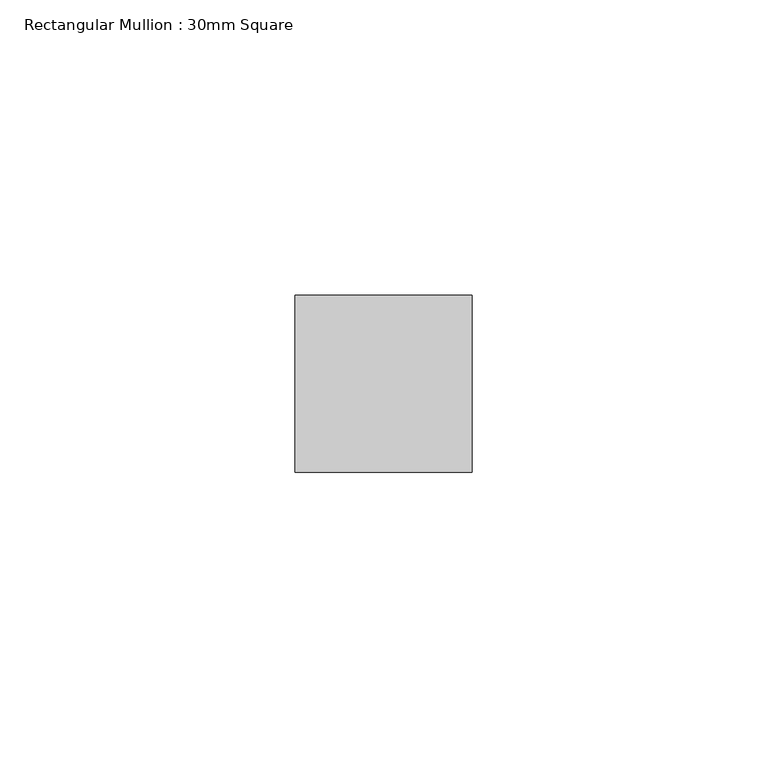
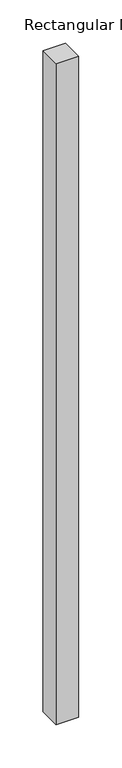
"""IFC4 building model written with IfcOpenShell, lengths in millimetres: member geometry, Rectangular Mullion : 30mm Square."""

import ifcopenshell
import ifcopenshell.guid

model = None  # the IFC model being written
_history = None  # IfcOwnerHistory: only IFC2X3 demands one
_inside = {}  # id of a spatial element -> (the spatial element, [elements in it])
_under = {}  # id of a project, library or spatial element -> (it, [spatial elements below it])
_declared = {}  # id of a project -> (the project, [libraries it declares])
_typed = {}  # id of a type object -> (the type object, [elements of that type])
_made_of = {}  # id of a material, layer set ... -> (it, [elements and type objects made of it])


def new_model(schema):
    """Start an empty IFC model of exactly this schema.

    Asked for "IFC4X3", IfcOpenShell would pick the latest addendum, in which some entities
    have other attributes; the version numbers below select the first issue.
    IFC2X3 requires an IfcOwnerHistory on every rooted entity: one is made here for all.
    """
    global model, _history
    if schema == "IFC4X3":
        model = ifcopenshell.file(schema_version=(4, 3, 0, 0))
    else:
        model = ifcopenshell.file(schema=schema)
    _inside.clear()
    _under.clear()
    _declared.clear()
    _typed.clear()
    _made_of.clear()
    _history = None
    if model.schema == "IFC2X3":
        org = make("IfcOrganization", Name="unknown")
        user = make(
            "IfcPersonAndOrganization",
            ThePerson=make("IfcPerson", FamilyName="unknown"),
            TheOrganization=org,
        )
        app = make(
            "IfcApplication",
            ApplicationDeveloper=org,
            Version="unknown",
            ApplicationFullName="unknown",
            ApplicationIdentifier="unknown",
        )
        _history = make(
            "IfcOwnerHistory",
            OwningUser=user,
            OwningApplication=app,
            ChangeAction="ADDED",
            CreationDate=0,
        )
    return model


def make(cls, **values):
    """One entity of the class cls with the attributes given. An attribute that is None is left unset."""
    return model.create_entity(
        cls, **{name: value for name, value in values.items() if value is not None}
    )


def rooted(cls, **values):
    """An entity with a GlobalId (a new one), such as an element, a storey or a relation."""
    return make(cls, GlobalId=ifcopenshell.guid.new(), OwnerHistory=_history, **values)


def si_unit(unit_type, name, prefix=None):
    """IfcSIUnit, for example si_unit("LENGTHUNIT", "METRE", prefix="MILLI")."""
    return make("IfcSIUnit", UnitType=unit_type, Prefix=prefix, Name=name)


def assignment(units):
    """IfcUnitAssignment: the units of a project."""
    return None if units is None else make("IfcUnitAssignment", Units=units)


def point(xyz):
    """IfcCartesianPoint."""
    return None if xyz is None else make("IfcCartesianPoint", Coordinates=xyz)


def direction(xyz):
    """IfcDirection."""
    return None if xyz is None else make("IfcDirection", DirectionRatios=xyz)


def frame(location, z_axis=None, x_axis=None):
    """IfcAxis2Placement3D, a coordinate frame: its origin and axes. An axis left out is left unset."""
    return make(
        "IfcAxis2Placement3D",
        Location=point(location),
        Axis=direction(z_axis),
        RefDirection=direction(x_axis),
    )


def origin():
    """The frame at (0, 0, 0) with its axes left unset."""
    return frame((0.0, 0.0, 0.0))


def place(relative_to, where):
    """IfcLocalPlacement: puts the frame where relative to a parent placement (None: the world)."""
    return make(
        "IfcLocalPlacement", PlacementRelTo=relative_to, RelativePlacement=where
    )


def context(
    kind, dimensions, precision=None, world=None, true_north=None, identifier=None
):
    """IfcGeometricRepresentationContext, for example the 3D "Model" context."""
    return make(
        "IfcGeometricRepresentationContext",
        ContextIdentifier=identifier,
        ContextType=kind,
        CoordinateSpaceDimension=dimensions,
        Precision=precision,
        WorldCoordinateSystem=world,
        TrueNorth=true_north,
    )


def project(units=None, contexts=None):
    """IfcProject with its units and contexts."""
    return rooted(
        "IfcProject",
        Name="project",
        RepresentationContexts=contexts,
        UnitsInContext=assignment(units),
    )


def spatial(cls, under=None, at=None, **own):
    """A site, building, storey or space (cls), placed at a placement, below another one or the project."""
    s = rooted(cls, ObjectPlacement=at, **own)
    if under is not None:
        _under.setdefault(under.id(), (under, []))[1].append(s)
    return s


def polyline(points):
    """IfcPolyline through the points."""
    return make("IfcPolyline", Points=[point(p) for p in points])


def outline(outer, holes=None, kind="AREA"):
    """IfcArbitraryClosedProfileDef: a profile drawn as a closed curve; with holes, ...WithVoids."""
    if holes is None:
        return make("IfcArbitraryClosedProfileDef", ProfileType=kind, OuterCurve=outer)
    return make(
        "IfcArbitraryProfileDefWithVoids",
        ProfileType=kind,
        OuterCurve=outer,
        InnerCurves=holes,
    )


def extrude(swept, where, along, depth):
    """IfcExtrudedAreaSolid: the profile swept, set in the frame where, extruded along a direction by depth."""
    return make(
        "IfcExtrudedAreaSolid",
        SweptArea=swept,
        Position=where,
        ExtrudedDirection=direction(along),
        Depth=depth,
    )


def shape(context_of_items, identifier, shape_type, items):
    """IfcShapeRepresentation: the items that make up one representation, for example the "Body"."""
    return make(
        "IfcShapeRepresentation",
        ContextOfItems=context_of_items,
        RepresentationIdentifier=identifier,
        RepresentationType=shape_type,
        Items=items,
    )


def source(mapping_origin, context_of_items, identifier, shape_type, items):
    """IfcRepresentationMap: a shape defined once, which mapped items show again and again."""
    return make(
        "IfcRepresentationMap",
        MappingOrigin=mapping_origin,
        MappedRepresentation=shape(context_of_items, identifier, shape_type, items),
    )


def transform(
    local_origin,
    x_axis=None,
    y_axis=None,
    z_axis=None,
    scale=None,
    scale2=None,
    scale3=None,
    uniform=True,
):
    """IfcCartesianTransformationOperator3D, or its non-uniform kind. x_axis, y_axis, z_axis: its Axis1, 2, 3."""
    if uniform:
        return make(
            "IfcCartesianTransformationOperator3D",
            Axis1=direction(x_axis),
            Axis2=direction(y_axis),
            LocalOrigin=point(local_origin),
            Scale=scale,
            Axis3=direction(z_axis),
        )
    return make(
        "IfcCartesianTransformationOperator3DnonUniform",
        Axis1=direction(x_axis),
        Axis2=direction(y_axis),
        LocalOrigin=point(local_origin),
        Scale=scale,
        Axis3=direction(z_axis),
        Scale2=scale2,
        Scale3=scale3,
    )


def mapped(mapping_source, mapping_target):
    """IfcMappedItem: shows the shape of a source again, moved by a transform."""
    return make(
        "IfcMappedItem", MappingSource=mapping_source, MappingTarget=mapping_target
    )


def made_of(thing, what):
    """Note that an element or type object is made of a material, layer set ...; save() writes the relation."""
    if what is not None:
        _made_of.setdefault(what.id(), (what, []))[1].append(thing)
    return thing


def element(
    cls,
    number,
    at=None,
    inside=None,
    cuts=None,
    type_object=None,
    material=None,
    context=None,
    identifier="Body",
    shape_type=None,
    held_by="IfcProductDefinitionShape",
    body=None,
    shapes=None,
    **own,
):
    """One element of the class cls, such as IfcWall. Its Tag is "e" and its number.

    at: its placement. inside: the storey or other place that contains it. cuts: it is an
    opening in that element (IfcRelVoidsElement). A single representation is given by context,
    identifier, shape_type and body (its items); several are given by shapes. held_by: the class
    of the entity that holds the representations. save() writes the other relations.
    """
    e = rooted(cls, Tag="e%d" % number, ObjectPlacement=at, **own)
    if body is not None:
        shapes = [shape(context, identifier, shape_type, body)]
    if shapes is not None:
        e.Representation = make(held_by, Representations=shapes)
    if inside is not None:
        _inside.setdefault(inside.id(), (inside, []))[1].append(e)
    if cuts is not None:
        rooted(
            "IfcRelVoidsElement", RelatingBuildingElement=cuts, RelatedOpeningElement=e
        )
    if type_object is not None:
        _typed.setdefault(type_object.id(), (type_object, []))[1].append(e)
    return made_of(e, material)


def aggregate(whole, parts):
    """IfcRelAggregates: a whole, such as a stair, and the parts it consists of."""
    return rooted("IfcRelAggregates", RelatingObject=whole, RelatedObjects=parts)


def save(model, path):
    """Write the relations noted so far, then the file.

    IfcRelAggregates (storeys below a building ...), IfcRelContainedInSpatialStructure (elements
    in a storey), IfcRelDefinesByType, IfcRelAssociatesMaterial and IfcRelDeclares: one each for
    every whole, place, type object, material and project.
    """
    for whole, parts in _under.values():
        aggregate(whole, parts)
    for where, things in _inside.values():
        rooted(
            "IfcRelContainedInSpatialStructure",
            RelatedElements=things,
            RelatingStructure=where,
        )
    for kind, things in _typed.values():
        rooted("IfcRelDefinesByType", RelatedObjects=things, RelatingType=kind)
    for what, things in _made_of.values():
        rooted("IfcRelAssociatesMaterial", RelatedObjects=things, RelatingMaterial=what)
    for by, libraries in _declared.values():
        rooted("IfcRelDeclares", RelatingContext=by, RelatedDefinitions=libraries)
    model.write(path)


def rectangular_mullion_30mm_square_1b9983a7(model_context):
    return source(origin(), model_context, "Body", "SweptSolid", [
        extrude(outline(polyline([(15.0, 15.0), (15.0, -15.0), (-15.0, -15.0), (-15.0, 15.0), (15.0, 15.0)])), frame((0.0, 0.0, -930.5291604), z_axis=(0.0, 0.0, 1.0), x_axis=(1.0, 0.0, 0.0)), (0.0, 0.0, 1.0), 930.5291604),
    ])


if __name__ == "__main__":
    model = new_model("IFC4")
    model_context = context("Model", 3, world=origin())
    ifc_project = project(units=[si_unit("LENGTHUNIT", "METRE", prefix="MILLI")], contexts=[model_context])
    site = spatial("IfcSite", under=ifc_project)
    building = spatial("IfcBuilding", under=site)
    placement = place(None, origin())
    rectangular_mullion_30mm_square_shape = rectangular_mullion_30mm_square_1b9983a7(model_context)
    element("IfcMember", 1, ObjectType="Rectangular Mullion : 30mm Square", at=placement, inside=building, context=model_context, shape_type="MappedRepresentation", body=[
        mapped(rectangular_mullion_30mm_square_shape, transform((0.0, 0.0, 0.0), x_axis=(1.0, 0.0, 0.0), y_axis=(0.0, 1.0, 0.0), z_axis=(0.0, 0.0, 1.0))),
    ])
    save(model, "model.ifc")
